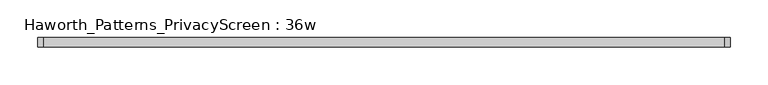
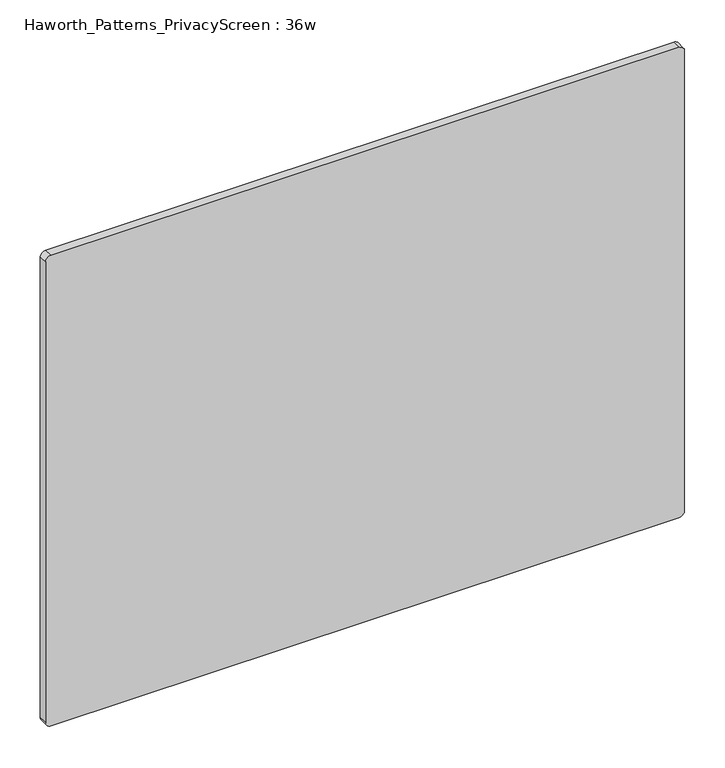
"""IFC4 building model written with IfcOpenShell, lengths in millimetres: furniture geometry, Haworth_Patterns_PrivacyScreen : 36w."""

from ifc_helpers import new_model, si_unit, point, frame, frame_2d, origin, place, context, project, spatial, polyline, circle_curve, trimmed, segment, composite_curve, outline, extrude, source, transform, mapped, element, save


def haworth_patterns_privacyscreen_36w_59804fc4(model_context):
    return source(origin(), model_context, "Body", "SweptSolid", [
        extrude(outline(composite_curve([segment(polyline([(990.6, 449.2625), (990.6, -449.2625)]), True, "CONTINUOUS"), segment(trimmed(circle_curve(frame_2d((982.6625, -449.2625)), 7.9375), [point((990.6, -449.2625))], [point((982.6625, -457.2))], False, "CARTESIAN"), True, "CONTINUOUS"), segment(polyline([(982.6625, -457.2), (287.3375, -457.2)]), True, "CONTINUOUS"), segment(trimmed(circle_curve(frame_2d((287.3375, -449.2625)), 7.9375), [point((287.3375, -457.2))], [point((279.4, -449.2625))], False, "CARTESIAN"), True, "CONTINUOUS"), segment(polyline([(279.4, -449.2625), (279.4, 449.2625)]), True, "CONTINUOUS"), segment(trimmed(circle_curve(frame_2d((287.3375, 449.2625)), 7.9375), [point((279.4, 449.2625))], [point((287.3375, 457.2))], False, "CARTESIAN"), True, "CONTINUOUS"), segment(polyline([(287.3375, 457.2), (982.6625, 457.2)]), True, "CONTINUOUS"), segment(trimmed(circle_curve(frame_2d((982.6625, 449.2625)), 7.9375), [point((982.6625, 457.2))], [point((990.6, 449.2625))], False, "CARTESIAN"), True, "CONTINUOUS")], self_intersect=False)), frame((0.0, -6.35, 0.0), z_axis=(0.0, 1.0, 0.0), x_axis=(0.0, 0.0, 1.0)), (0.0, 0.0, 1.0), 12.7),
    ])


if __name__ == "__main__":
    model = new_model("IFC4")
    model_context = context("Model", 3, world=origin())
    ifc_project = project(units=[si_unit("LENGTHUNIT", "METRE", prefix="MILLI")], contexts=[model_context])
    site = spatial("IfcSite", under=ifc_project)
    building = spatial("IfcBuilding", under=site)
    placement = place(None, origin())
    haworth_patterns_privacyscreen_36w_shape = haworth_patterns_privacyscreen_36w_59804fc4(model_context)
    element("IfcFurniture", 1, ObjectType="Haworth_Patterns_PrivacyScreen : 36w", at=placement, inside=building, context=model_context, shape_type="MappedRepresentation", body=[
        mapped(haworth_patterns_privacyscreen_36w_shape, transform((0.0, 0.0, 0.0), x_axis=(1.0, 0.0, 0.0), y_axis=(0.0, 1.0, 0.0), z_axis=(0.0, 0.0, 1.0))),
    ])
    save(model, "model.ifc")
